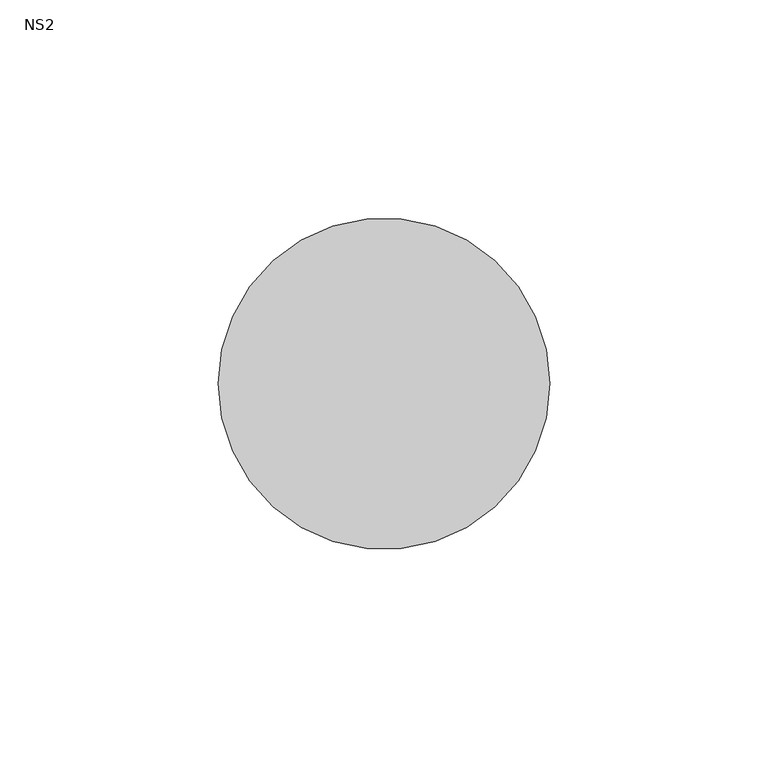
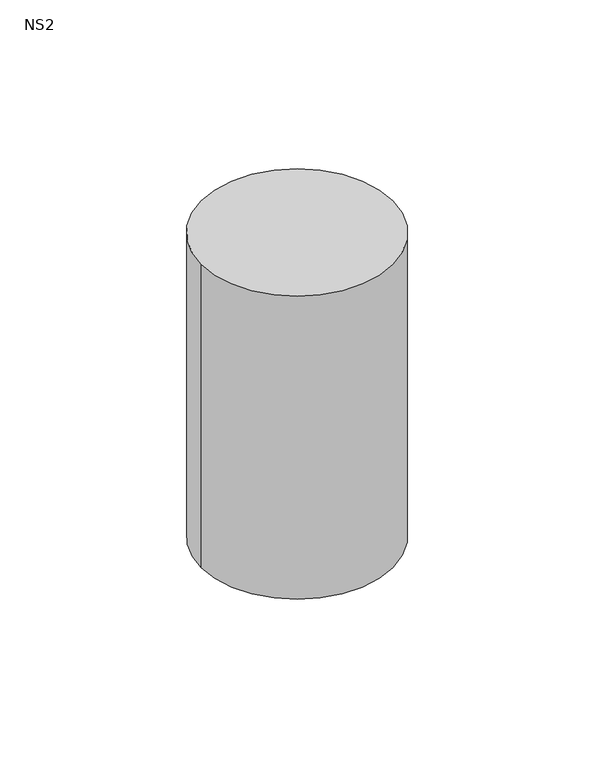
"""IFC4 building model written with IfcOpenShell, lengths in millimetres: unitary equipment geometry, NS2."""

from ifc_helpers import new_model, si_unit, point, frame, frame_2d, origin, place, context, project, spatial, circle_curve, trimmed, segment, composite_curve, outline, extrude, source, transform, mapped, element, save


def ns2_601247f1(model_context):
    return source(origin(), model_context, "Body", "SweptSolid", [
        extrude(outline(composite_curve([segment(trimmed(circle_curve(frame_2d((-304.5, 238.5395574)), 38.0), [point((-342.5, 238.5395574))], [point((-266.5, 238.5395574))], False, "CARTESIAN"), True, "CONTINUOUS"), segment(trimmed(circle_curve(frame_2d((-304.5, 238.5395574)), 38.0), [point((-266.5, 238.5395574))], [point((-342.5, 238.5395574))], False, "CARTESIAN"), True, "CONTINUOUS")], self_intersect=False)), frame((0.0, 0.0, 1260.0), z_axis=(0.0, 0.0, 1.0), x_axis=(1.0, 0.0, 0.0)), (0.0, 0.0, 1.0), 127.0),
    ])


if __name__ == "__main__":
    model = new_model("IFC4")
    model_context = context("Model", 3, world=origin())
    ifc_project = project(units=[si_unit("LENGTHUNIT", "METRE", prefix="MILLI")], contexts=[model_context])
    site = spatial("IfcSite", under=ifc_project)
    building = spatial("IfcBuilding", under=site)
    placement = place(None, origin())
    ns2_shape = ns2_601247f1(model_context)
    element("IfcUnitaryEquipment", 1, ObjectType="NS2", at=placement, inside=building, context=model_context, shape_type="MappedRepresentation", body=[
        mapped(ns2_shape, transform((0.0, 0.0, 0.0), x_axis=(1.0, 0.0, 0.0), y_axis=(0.0, 1.0, 0.0), z_axis=(0.0, 0.0, 1.0))),
    ])
    save(model, "model.ifc")
